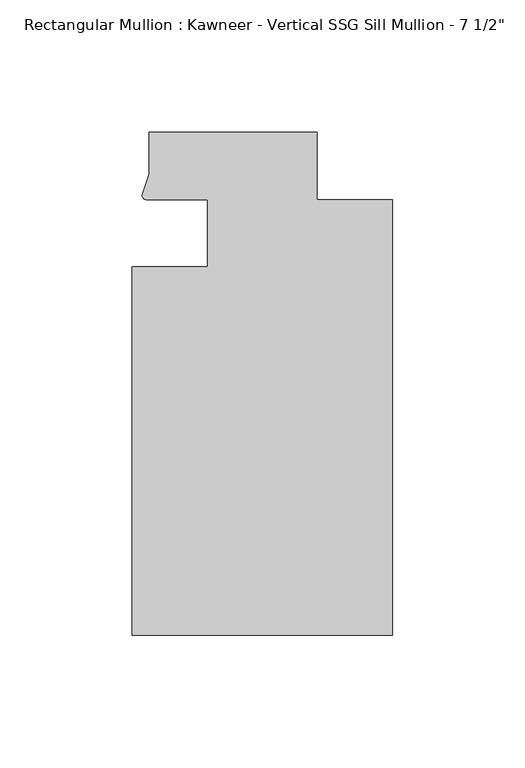
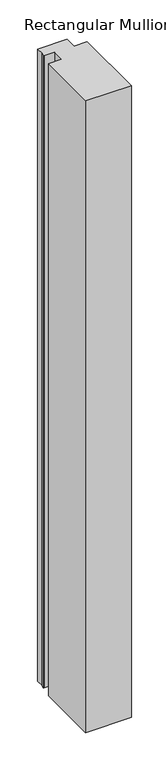
"""IFC4 building model written with IfcOpenShell, lengths in millimetres: member geometry."""

import ifcopenshell
import ifcopenshell.guid

model = None  # the IFC model being written
_history = None  # IfcOwnerHistory: only IFC2X3 demands one
_inside = {}  # id of a spatial element -> (the spatial element, [elements in it])
_under = {}  # id of a project, library or spatial element -> (it, [spatial elements below it])
_declared = {}  # id of a project -> (the project, [libraries it declares])
_typed = {}  # id of a type object -> (the type object, [elements of that type])
_made_of = {}  # id of a material, layer set ... -> (it, [elements and type objects made of it])


def new_model(schema):
    """Start an empty IFC model of exactly this schema.

    Asked for "IFC4X3", IfcOpenShell would pick the latest addendum, in which some entities
    have other attributes; the version numbers below select the first issue.
    IFC2X3 requires an IfcOwnerHistory on every rooted entity: one is made here for all.
    """
    global model, _history
    if schema == "IFC4X3":
        model = ifcopenshell.file(schema_version=(4, 3, 0, 0))
    else:
        model = ifcopenshell.file(schema=schema)
    _inside.clear()
    _under.clear()
    _declared.clear()
    _typed.clear()
    _made_of.clear()
    _history = None
    if model.schema == "IFC2X3":
        org = make("IfcOrganization", Name="unknown")
        user = make(
            "IfcPersonAndOrganization",
            ThePerson=make("IfcPerson", FamilyName="unknown"),
            TheOrganization=org,
        )
        app = make(
            "IfcApplication",
            ApplicationDeveloper=org,
            Version="unknown",
            ApplicationFullName="unknown",
            ApplicationIdentifier="unknown",
        )
        _history = make(
            "IfcOwnerHistory",
            OwningUser=user,
            OwningApplication=app,
            ChangeAction="ADDED",
            CreationDate=0,
        )
    return model


def make(cls, **values):
    """One entity of the class cls with the attributes given. An attribute that is None is left unset."""
    return model.create_entity(
        cls, **{name: value for name, value in values.items() if value is not None}
    )


def rooted(cls, **values):
    """An entity with a GlobalId (a new one), such as an element, a storey or a relation."""
    return make(cls, GlobalId=ifcopenshell.guid.new(), OwnerHistory=_history, **values)


def si_unit(unit_type, name, prefix=None):
    """IfcSIUnit, for example si_unit("LENGTHUNIT", "METRE", prefix="MILLI")."""
    return make("IfcSIUnit", UnitType=unit_type, Prefix=prefix, Name=name)


def assignment(units):
    """IfcUnitAssignment: the units of a project."""
    return None if units is None else make("IfcUnitAssignment", Units=units)


def point(xyz):
    """IfcCartesianPoint."""
    return None if xyz is None else make("IfcCartesianPoint", Coordinates=xyz)


def direction(xyz):
    """IfcDirection."""
    return None if xyz is None else make("IfcDirection", DirectionRatios=xyz)


def frame(location, z_axis=None, x_axis=None):
    """IfcAxis2Placement3D, a coordinate frame: its origin and axes. An axis left out is left unset."""
    return make(
        "IfcAxis2Placement3D",
        Location=point(location),
        Axis=direction(z_axis),
        RefDirection=direction(x_axis),
    )


def frame_2d(location, x_axis=None):
    """IfcAxis2Placement2D, a coordinate frame in the plane: its origin and x axis."""
    return make(
        "IfcAxis2Placement2D", Location=point(location), RefDirection=direction(x_axis)
    )


def origin():
    """The frame at (0, 0, 0) with its axes left unset."""
    return frame((0.0, 0.0, 0.0))


def place(relative_to, where):
    """IfcLocalPlacement: puts the frame where relative to a parent placement (None: the world)."""
    return make(
        "IfcLocalPlacement", PlacementRelTo=relative_to, RelativePlacement=where
    )


def context(
    kind, dimensions, precision=None, world=None, true_north=None, identifier=None
):
    """IfcGeometricRepresentationContext, for example the 3D "Model" context."""
    return make(
        "IfcGeometricRepresentationContext",
        ContextIdentifier=identifier,
        ContextType=kind,
        CoordinateSpaceDimension=dimensions,
        Precision=precision,
        WorldCoordinateSystem=world,
        TrueNorth=true_north,
    )


def project(units=None, contexts=None):
    """IfcProject with its units and contexts."""
    return rooted(
        "IfcProject",
        Name="project",
        RepresentationContexts=contexts,
        UnitsInContext=assignment(units),
    )


def spatial(cls, under=None, at=None, **own):
    """A site, building, storey or space (cls), placed at a placement, below another one or the project."""
    s = rooted(cls, ObjectPlacement=at, **own)
    if under is not None:
        _under.setdefault(under.id(), (under, []))[1].append(s)
    return s


def polyline(points):
    """IfcPolyline through the points."""
    return make("IfcPolyline", Points=[point(p) for p in points])


def circle_curve(where, radius):
    """IfcCircle in the frame where."""
    return make("IfcCircle", Position=where, Radius=radius)


def trimmed(basis, trim1, trim2, sense, master):
    """IfcTrimmedCurve: the piece of a basis curve between two trims."""
    return make(
        "IfcTrimmedCurve",
        BasisCurve=basis,
        Trim1=trim1,
        Trim2=trim2,
        SenseAgreement=sense,
        MasterRepresentation=master,
    )


def segment(curve, same_sense, transition):
    """IfcCompositeCurveSegment."""
    return make(
        "IfcCompositeCurveSegment",
        Transition=transition,
        SameSense=same_sense,
        ParentCurve=curve,
    )


def composite_curve(segments, self_intersect=None):
    """IfcCompositeCurve: segments joined end to end."""
    return make("IfcCompositeCurve", Segments=segments, SelfIntersect=self_intersect)


def outline(outer, holes=None, kind="AREA"):
    """IfcArbitraryClosedProfileDef: a profile drawn as a closed curve; with holes, ...WithVoids."""
    if holes is None:
        return make("IfcArbitraryClosedProfileDef", ProfileType=kind, OuterCurve=outer)
    return make(
        "IfcArbitraryProfileDefWithVoids",
        ProfileType=kind,
        OuterCurve=outer,
        InnerCurves=holes,
    )


def extrude(swept, where, along, depth):
    """IfcExtrudedAreaSolid: the profile swept, set in the frame where, extruded along a direction by depth."""
    return make(
        "IfcExtrudedAreaSolid",
        SweptArea=swept,
        Position=where,
        ExtrudedDirection=direction(along),
        Depth=depth,
    )


def shape(context_of_items, identifier, shape_type, items):
    """IfcShapeRepresentation: the items that make up one representation, for example the "Body"."""
    return make(
        "IfcShapeRepresentation",
        ContextOfItems=context_of_items,
        RepresentationIdentifier=identifier,
        RepresentationType=shape_type,
        Items=items,
    )


def source(mapping_origin, context_of_items, identifier, shape_type, items):
    """IfcRepresentationMap: a shape defined once, which mapped items show again and again."""
    return make(
        "IfcRepresentationMap",
        MappingOrigin=mapping_origin,
        MappedRepresentation=shape(context_of_items, identifier, shape_type, items),
    )


def transform(
    local_origin,
    x_axis=None,
    y_axis=None,
    z_axis=None,
    scale=None,
    scale2=None,
    scale3=None,
    uniform=True,
):
    """IfcCartesianTransformationOperator3D, or its non-uniform kind. x_axis, y_axis, z_axis: its Axis1, 2, 3."""
    if uniform:
        return make(
            "IfcCartesianTransformationOperator3D",
            Axis1=direction(x_axis),
            Axis2=direction(y_axis),
            LocalOrigin=point(local_origin),
            Scale=scale,
            Axis3=direction(z_axis),
        )
    return make(
        "IfcCartesianTransformationOperator3DnonUniform",
        Axis1=direction(x_axis),
        Axis2=direction(y_axis),
        LocalOrigin=point(local_origin),
        Scale=scale,
        Axis3=direction(z_axis),
        Scale2=scale2,
        Scale3=scale3,
    )


def mapped(mapping_source, mapping_target):
    """IfcMappedItem: shows the shape of a source again, moved by a transform."""
    return make(
        "IfcMappedItem", MappingSource=mapping_source, MappingTarget=mapping_target
    )


def made_of(thing, what):
    """Note that an element or type object is made of a material, layer set ...; save() writes the relation."""
    if what is not None:
        _made_of.setdefault(what.id(), (what, []))[1].append(thing)
    return thing


def element(
    cls,
    number,
    at=None,
    inside=None,
    cuts=None,
    type_object=None,
    material=None,
    context=None,
    identifier="Body",
    shape_type=None,
    held_by="IfcProductDefinitionShape",
    body=None,
    shapes=None,
    **own,
):
    """One element of the class cls, such as IfcWall. Its Tag is "e" and its number.

    at: its placement. inside: the storey or other place that contains it. cuts: it is an
    opening in that element (IfcRelVoidsElement). A single representation is given by context,
    identifier, shape_type and body (its items); several are given by shapes. held_by: the class
    of the entity that holds the representations. save() writes the other relations.
    """
    e = rooted(cls, Tag="e%d" % number, ObjectPlacement=at, **own)
    if body is not None:
        shapes = [shape(context, identifier, shape_type, body)]
    if shapes is not None:
        e.Representation = make(held_by, Representations=shapes)
    if inside is not None:
        _inside.setdefault(inside.id(), (inside, []))[1].append(e)
    if cuts is not None:
        rooted(
            "IfcRelVoidsElement", RelatingBuildingElement=cuts, RelatedOpeningElement=e
        )
    if type_object is not None:
        _typed.setdefault(type_object.id(), (type_object, []))[1].append(e)
    return made_of(e, material)


def aggregate(whole, parts):
    """IfcRelAggregates: a whole, such as a stair, and the parts it consists of."""
    return rooted("IfcRelAggregates", RelatingObject=whole, RelatedObjects=parts)


def save(model, path):
    """Write the relations noted so far, then the file.

    IfcRelAggregates (storeys below a building ...), IfcRelContainedInSpatialStructure (elements
    in a storey), IfcRelDefinesByType, IfcRelAssociatesMaterial and IfcRelDeclares: one each for
    every whole, place, type object, material and project.
    """
    for whole, parts in _under.values():
        aggregate(whole, parts)
    for where, things in _inside.values():
        rooted(
            "IfcRelContainedInSpatialStructure",
            RelatedElements=things,
            RelatingStructure=where,
        )
    for kind, things in _typed.values():
        rooted("IfcRelDefinesByType", RelatedObjects=things, RelatingType=kind)
    for what, things in _made_of.values():
        rooted("IfcRelAssociatesMaterial", RelatedObjects=things, RelatingMaterial=what)
    for by, libraries in _declared.values():
        rooted("IfcRelDeclares", RelatingContext=by, RelatedDefinitions=libraries)
    model.write(path)


def member_47e49ba6(model_context):
    return source(origin(), model_context, "Body", "SweptSolid", [
        extrude(outline(composite_curve([segment(polyline([(-69.85, -12.7), (-69.85, 12.700061), (-93.1091288, 12.700061)]), True, "CONTINUOUS"), segment(trimmed(circle_curve(frame_2d((-93.0262373, 14.401412)), 1.703369), [point((-93.1091288, 12.700061))], [point((-94.7258552, 14.2884292))], False, "CARTESIAN"), True, "CONTINUOUS"), segment(polyline([(-94.7258552, 14.2884292), (-92.075, 22.2250977), (-92.075, 38.1), (-28.575, 38.1), (-28.575, 12.7), (0.0, 12.7), (0.0, -151.892), (-98.425, -151.892), (-98.425, -12.7), (-69.85, -12.7)]), True, "CONTINUOUS")], self_intersect=False)), frame((0.0, 0.0, -1440.1582482), z_axis=(0.0, 0.0, 1.0), x_axis=(1.0, 0.0, 0.0)), (0.0, 0.0, 1.0), 1440.1582482),
    ])


if __name__ == "__main__":
    model = new_model("IFC4")
    model_context = context("Model", 3, world=origin())
    ifc_project = project(units=[si_unit("LENGTHUNIT", "METRE", prefix="MILLI")], contexts=[model_context])
    site = spatial("IfcSite", under=ifc_project)
    building = spatial("IfcBuilding", under=site)
    placement = place(None, origin())
    member_shape = member_47e49ba6(model_context)
    element("IfcMember", 1, ObjectType="Rectangular Mullion : Kawneer - Vertical SSG Sill Mullion - 7 1/2\"", at=placement, inside=building, context=model_context, shape_type="MappedRepresentation", body=[
        mapped(member_shape, transform((0.0, 0.0, 0.0), x_axis=(1.0, 0.0, 0.0), y_axis=(0.0, 1.0, 0.0), z_axis=(0.0, 0.0, 1.0))),
    ])
    save(model, "model.ifc")
